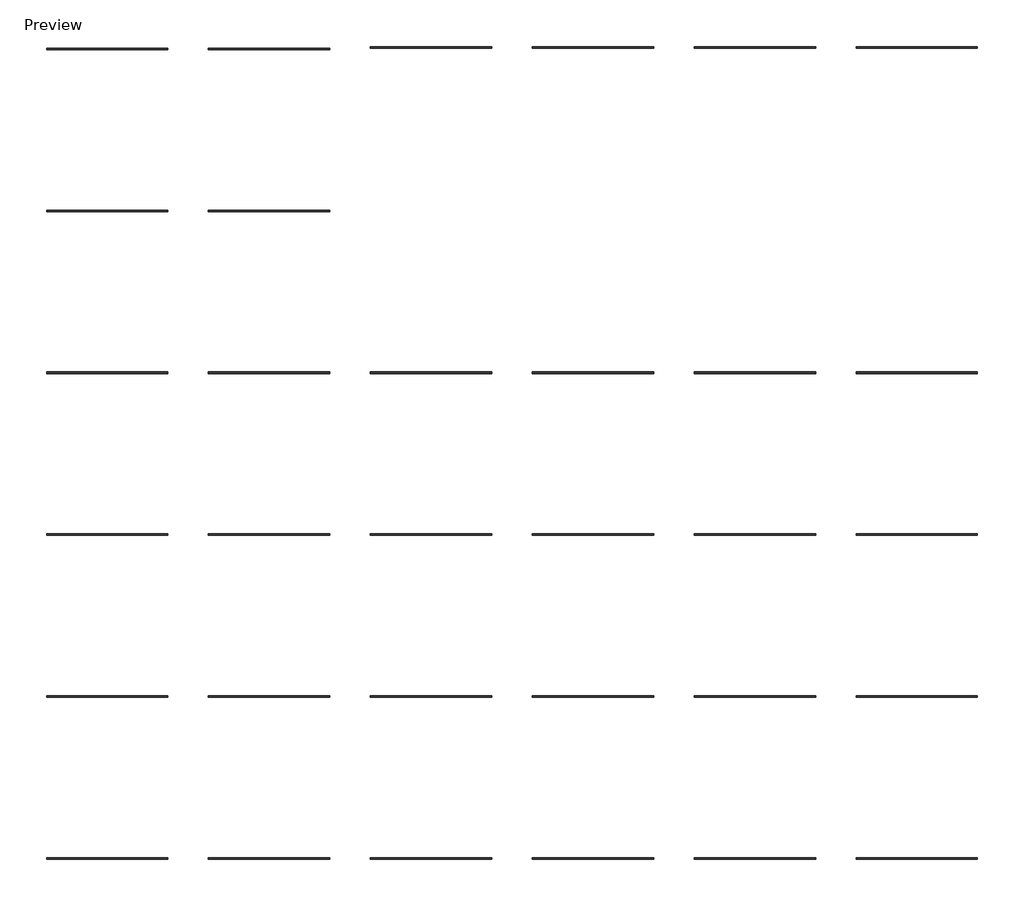
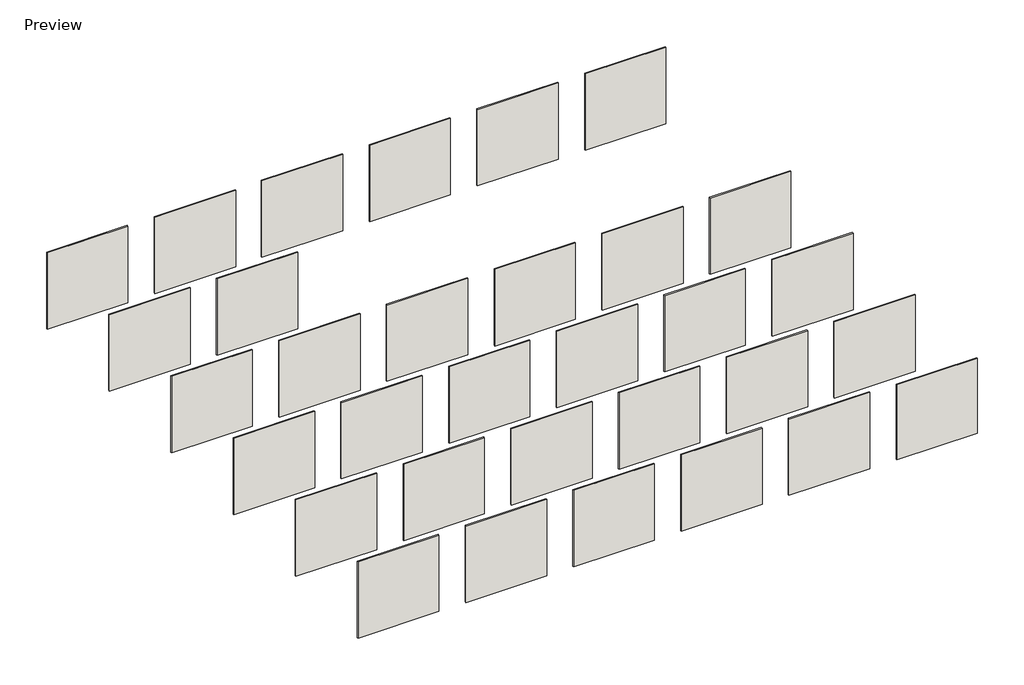
# One storey: 32 walls.
"""IFC4 building model written with IfcOpenShell, lengths in millimetres."""

from ifc_helpers import new_model, si_unit, frame, origin, origin_with_axes, place, context, project, spatial, polyline, outline, extrude, element, save

model = new_model("IFC4")

# Units and contexts
model_context = context("Model", 3, world=origin())
ifc_project = project(units=[si_unit("LENGTHUNIT", "METRE", prefix="MILLI")], contexts=[model_context])

# Site, building, storey
site = spatial("IfcSite", under=ifc_project)
building = spatial("IfcBuilding", under=site)
storey = spatial("IfcBuildingStorey", under=building, Name="Preview", Elevation=0.0)

# Walls
placement = place(None, origin())
element("IfcWall", 1, at=placement, inside=storey, context=model_context, shape_type="SweptSolid", body=[
    extrude(outline(polyline([(-18839.3718391, 8535.7201131), (-20668.1718391, 8535.7201131), (-20668.1718391, 8559.5326131), (-18839.3718391, 8559.5326131), (-18839.3718391, 8535.7201131)])), origin_with_axes(), (0.0, 0.0, 1.0), 1828.8),
])
element("IfcWall", 2, at=placement, inside=storey, context=model_context, shape_type="SweptSolid", body=[
    extrude(outline(polyline([(-16400.9718391, 8535.7201131), (-18229.7718391, 8535.7201131), (-18229.7718391, 8559.5326131), (-16400.9718391, 8559.5326131), (-16400.9718391, 8535.7201131)])), origin_with_axes(), (0.0, 0.0, 1.0), 1828.8),
])
element("IfcWall", 3, at=placement, inside=storey, context=model_context, shape_type="SweptSolid", body=[
    extrude(outline(polyline([(-13962.5718391, 8535.7201131), (-15791.3718391, 8535.7201131), (-15791.3718391, 8559.5326131), (-13962.5718391, 8559.5326131), (-13962.5718391, 8535.7201131)])), origin_with_axes(), (0.0, 0.0, 1.0), 1828.8),
])
element("IfcWall", 4, at=placement, inside=storey, context=model_context, shape_type="SweptSolid", body=[
    extrude(outline(polyline([(-11524.1718391, 8535.7201131), (-13352.9718391, 8535.7201131), (-13352.9718391, 8559.5326131), (-11524.1718391, 8559.5326131), (-11524.1718391, 8535.7201131)])), origin_with_axes(), (0.0, 0.0, 1.0), 1828.8),
])
element("IfcWall", 5, at=placement, inside=storey, context=model_context, shape_type="SweptSolid", body=[
    extrude(outline(polyline([(-9085.7718391, 8535.7201131), (-10914.5718391, 8535.7201131), (-10914.5718391, 8559.5326131), (-9085.7718391, 8559.5326131), (-9085.7718391, 8535.7201131)])), origin_with_axes(), (0.0, 0.0, 1.0), 1828.8),
])
element("IfcWall", 6, at=placement, inside=storey, context=model_context, shape_type="SweptSolid", body=[
    extrude(outline(polyline([(-6647.3718391, 8535.7201131), (-8476.1718391, 8535.7201131), (-8476.1718391, 8559.5326131), (-6647.3718391, 8559.5326131), (-6647.3718391, 8535.7201131)])), origin_with_axes(), (0.0, 0.0, 1.0), 1828.8),
])
element("IfcWall", 7, at=placement, inside=storey, context=model_context, shape_type="SweptSolid", body=[
    extrude(outline(polyline([(-18839.3718391, 6097.3201131), (-20668.1718391, 6097.3201131), (-20668.1718391, 6121.1326131), (-18839.3718391, 6121.1326131), (-18839.3718391, 6097.3201131)])), origin_with_axes(), (0.0, 0.0, 1.0), 1828.8),
])
element("IfcWall", 8, at=placement, inside=storey, context=model_context, shape_type="SweptSolid", body=[
    extrude(outline(polyline([(-16400.9718391, 6097.3201131), (-18229.7718391, 6097.3201131), (-18229.7718391, 6121.1326131), (-16400.9718391, 6121.1326131), (-16400.9718391, 6097.3201131)])), origin_with_axes(), (0.0, 0.0, 1.0), 1828.8),
])
element("IfcWall", 9, at=placement, inside=storey, context=model_context, shape_type="SweptSolid", body=[
    extrude(outline(polyline([(-13962.5718391, 6097.3201131), (-15791.3718391, 6097.3201131), (-15791.3718391, 6121.1326131), (-13962.5718391, 6121.1326131), (-13962.5718391, 6097.3201131)])), origin_with_axes(), (0.0, 0.0, 1.0), 1828.8),
])
element("IfcWall", 10, at=placement, inside=storey, context=model_context, shape_type="SweptSolid", body=[
    extrude(outline(polyline([(-11524.1718391, 6097.3201131), (-13352.9718391, 6097.3201131), (-13352.9718391, 6121.1326131), (-11524.1718391, 6121.1326131), (-11524.1718391, 6097.3201131)])), origin_with_axes(), (0.0, 0.0, 1.0), 1828.8),
])
element("IfcWall", 11, at=placement, inside=storey, context=model_context, shape_type="SweptSolid", body=[
    extrude(outline(polyline([(-9085.7718391, 6097.3201131), (-10914.5718391, 6097.3201131), (-10914.5718391, 6121.1326131), (-9085.7718391, 6121.1326131), (-9085.7718391, 6097.3201131)])), origin_with_axes(), (0.0, 0.0, 1.0), 1828.8),
])
element("IfcWall", 12, at=placement, inside=storey, context=model_context, shape_type="SweptSolid", body=[
    extrude(outline(polyline([(-6647.3718391, 6097.3201131), (-8476.1718391, 6097.3201131), (-8476.1718391, 6121.1326131), (-6647.3718391, 6121.1326131), (-6647.3718391, 6097.3201131)])), origin_with_axes(), (0.0, 0.0, 1.0), 1793.6354952),
])
element("IfcWall", 13, at=placement, inside=storey, context=model_context, shape_type="SweptSolid", body=[
    extrude(outline(polyline([(-18839.3718391, 10974.1201131), (-20668.1718391, 10974.1201131), (-20668.1718391, 10997.9326131), (-18839.3718391, 10997.9326131), (-18839.3718391, 10974.1201131)])), origin_with_axes(), (0.0, 0.0, 1.0), 1828.8),
])
element("IfcWall", 14, at=placement, inside=storey, context=model_context, shape_type="SweptSolid", body=[
    extrude(outline(polyline([(-16400.9718391, 10974.1201131), (-18229.7718391, 10974.1201131), (-18229.7718391, 10997.9326131), (-16400.9718391, 10997.9326131), (-16400.9718391, 10974.1201131)])), origin_with_axes(), (0.0, 0.0, 1.0), 1828.8),
])
element("IfcWall", 15, at=placement, inside=storey, context=model_context, shape_type="SweptSolid", body=[
    extrude(outline(polyline([(-13962.5718391, 10974.1201131), (-15791.3718391, 10974.1201131), (-15791.3718391, 10997.9326131), (-13962.5718391, 10997.9326131), (-13962.5718391, 10974.1201131)])), origin_with_axes(), (0.0, 0.0, 1.0), 1828.8),
])
element("IfcWall", 16, at=placement, inside=storey, context=model_context, shape_type="SweptSolid", body=[
    extrude(outline(polyline([(-11524.1718391, 10974.1201131), (-13352.9718391, 10974.1201131), (-13352.9718391, 10997.9326131), (-11524.1718391, 10997.9326131), (-11524.1718391, 10974.1201131)])), origin_with_axes(), (0.0, 0.0, 1.0), 1828.8),
])
element("IfcWall", 17, at=placement, inside=storey, context=model_context, shape_type="SweptSolid", body=[
    extrude(outline(polyline([(-9085.7718391, 10974.1201131), (-10914.5718391, 10974.1201131), (-10914.5718391, 10997.9326131), (-9085.7718391, 10997.9326131), (-9085.7718391, 10974.1201131)])), origin_with_axes(), (0.0, 0.0, 1.0), 1828.8),
])
element("IfcWall", 18, at=placement, inside=storey, context=model_context, shape_type="SweptSolid", body=[
    extrude(outline(polyline([(-6647.3718391, 10974.1201131), (-8476.1718391, 10974.1201131), (-8476.1718391, 10997.9326131), (-6647.3718391, 10997.9326131), (-6647.3718391, 10974.1201131)])), origin_with_axes(), (0.0, 0.0, 1.0), 1828.8),
])
element("IfcWall", 19, at=placement, inside=storey, context=model_context, shape_type="SweptSolid", body=[
    extrude(outline(polyline([(-18839.3718391, 13412.5201131), (-20668.1718391, 13412.5201131), (-20668.1718391, 13436.3326131), (-18839.3718391, 13436.3326131), (-18839.3718391, 13412.5201131)])), origin_with_axes(), (0.0, 0.0, 1.0), 1828.8),
])
element("IfcWall", 20, at=placement, inside=storey, context=model_context, shape_type="SweptSolid", body=[
    extrude(outline(polyline([(-16400.9718391, 13412.5201131), (-18229.7718391, 13412.5201131), (-18229.7718391, 13436.3326131), (-16400.9718391, 13436.3326131), (-16400.9718391, 13412.5201131)])), origin_with_axes(), (0.0, 0.0, 1.0), 1828.8),
])
element("IfcWall", 21, at=placement, inside=storey, context=model_context, shape_type="SweptSolid", body=[
    extrude(outline(polyline([(-13962.5718391, 13412.5201131), (-15791.3718391, 13412.5201131), (-15791.3718391, 13436.3326131), (-13962.5718391, 13436.3326131), (-13962.5718391, 13412.5201131)])), origin_with_axes(), (0.0, 0.0, 1.0), 1828.8),
])
element("IfcWall", 22, at=placement, inside=storey, context=model_context, shape_type="SweptSolid", body=[
    extrude(outline(polyline([(-11524.1718391, 13412.5201131), (-13352.9718391, 13412.5201131), (-13352.9718391, 13436.3326131), (-11524.1718391, 13436.3326131), (-11524.1718391, 13412.5201131)])), frame((0.0, 0.0, -5.2424975), z_axis=(0.0, 0.0, 1.0), x_axis=(1.0, 0.0, 0.0)), (0.0, 0.0, 1.0), 1834.0424975),
])
element("IfcWall", 23, at=placement, inside=storey, context=model_context, shape_type="SweptSolid", body=[
    extrude(outline(polyline([(-9085.7718391, 13412.5201131), (-10914.5718391, 13412.5201131), (-10914.5718391, 13436.3326131), (-9085.7718391, 13436.3326131), (-9085.7718391, 13412.5201131)])), origin_with_axes(), (0.0, 0.0, 1.0), 1828.8),
])
element("IfcWall", 24, at=placement, inside=storey, context=model_context, shape_type="SweptSolid", body=[
    extrude(outline(polyline([(-6647.3718391, 13412.5201131), (-8476.1718391, 13412.5201131), (-8476.1718391, 13436.3326131), (-6647.3718391, 13436.3326131), (-6647.3718391, 13412.5201131)])), origin_with_axes(), (0.0, 0.0, 1.0), 1828.8),
])
element("IfcWall", 25, at=placement, inside=storey, context=model_context, shape_type="SweptSolid", body=[
    extrude(outline(polyline([(-18839.3718391, 15850.9201131), (-20668.1718391, 15850.9201131), (-20668.1718391, 15874.7326131), (-18839.3718391, 15874.7326131), (-18839.3718391, 15850.9201131)])), origin_with_axes(), (0.0, 0.0, 1.0), 1828.8),
])
element("IfcWall", 26, at=placement, inside=storey, context=model_context, shape_type="SweptSolid", body=[
    extrude(outline(polyline([(-16400.9718391, 15850.9201131), (-18229.7718391, 15850.9201131), (-18229.7718391, 15874.7326131), (-16400.9718391, 15874.7326131), (-16400.9718391, 15850.9201131)])), origin_with_axes(), (0.0, 0.0, 1.0), 1828.8),
])
element("IfcWall", 27, at=placement, inside=storey, context=model_context, shape_type="SweptSolid", body=[
    extrude(outline(polyline([(-13962.5718391, 18313.1326131), (-15791.3718391, 18313.1326131), (-15791.3718391, 18336.9451131), (-13962.5718391, 18336.9451131), (-13962.5718391, 18313.1326131)])), origin_with_axes(), (0.0, 0.0, 1.0), 1828.8),
])
element("IfcWall", 28, at=placement, inside=storey, context=model_context, shape_type="SweptSolid", body=[
    extrude(outline(polyline([(-11524.1718391, 18313.1326131), (-13352.9718391, 18313.1326131), (-13352.9718391, 18336.9451131), (-11524.1718391, 18336.9451131), (-11524.1718391, 18313.1326131)])), origin_with_axes(), (0.0, 0.0, 1.0), 1828.8),
])
element("IfcWall", 29, at=placement, inside=storey, context=model_context, shape_type="SweptSolid", body=[
    extrude(outline(polyline([(-9085.7718391, 18313.1326131), (-10914.5718391, 18313.1326131), (-10914.5718391, 18336.9451131), (-9085.7718391, 18336.9451131), (-9085.7718391, 18313.1326131)])), origin_with_axes(), (0.0, 0.0, 1.0), 1828.8),
])
element("IfcWall", 30, at=placement, inside=storey, context=model_context, shape_type="SweptSolid", body=[
    extrude(outline(polyline([(-18839.3718391, 18289.3201131), (-20668.1718391, 18289.3201131), (-20668.1718391, 18313.1326131), (-18839.3718391, 18313.1326131), (-18839.3718391, 18289.3201131)])), origin_with_axes(), (0.0, 0.0, 1.0), 1828.8),
])
element("IfcWall", 31, at=placement, inside=storey, context=model_context, shape_type="SweptSolid", body=[
    extrude(outline(polyline([(-16400.9718391, 18289.3201131), (-18229.7718391, 18289.3201131), (-18229.7718391, 18313.1326131), (-16400.9718391, 18313.1326131), (-16400.9718391, 18289.3201131)])), origin_with_axes(), (0.0, 0.0, 1.0), 1828.8),
])
element("IfcWall", 32, at=placement, inside=storey, context=model_context, shape_type="SweptSolid", body=[
    extrude(outline(polyline([(-6647.3718391, 18313.1326131), (-8476.1718391, 18313.1326131), (-8476.1718391, 18336.9451131), (-6647.3718391, 18336.9451131), (-6647.3718391, 18313.1326131)])), origin_with_axes(), (0.0, 0.0, 1.0), 1828.8),
])

save(model, "model.ifc")
